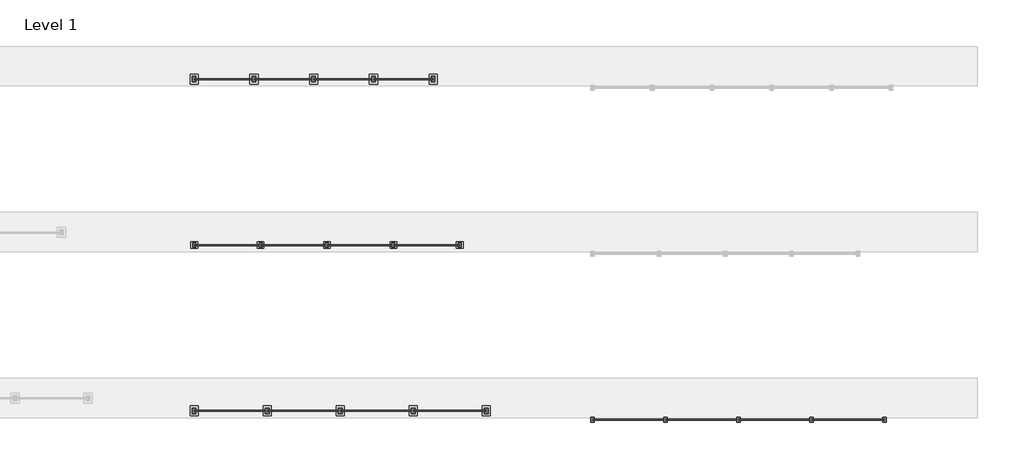
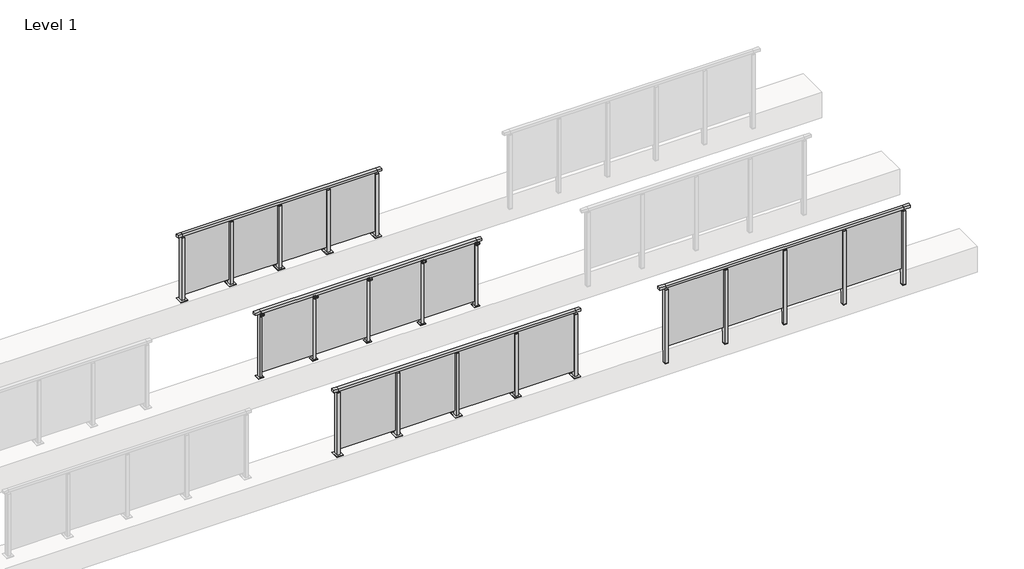
# One storey, part 20 of 38: 4 railings.
"""IFC4 building model written with IfcOpenShell, lengths in millimetres."""

import ifcopenshell
import ifcopenshell.guid

model = None  # the IFC model being written
_history = None  # IfcOwnerHistory: only IFC2X3 demands one
_inside = {}  # id of a spatial element -> (the spatial element, [elements in it])
_under = {}  # id of a project, library or spatial element -> (it, [spatial elements below it])
_declared = {}  # id of a project -> (the project, [libraries it declares])
_typed = {}  # id of a type object -> (the type object, [elements of that type])
_made_of = {}  # id of a material, layer set ... -> (it, [elements and type objects made of it])


def new_model(schema):
    """Start an empty IFC model of exactly this schema.

    Asked for "IFC4X3", IfcOpenShell would pick the latest addendum, in which some entities
    have other attributes; the version numbers below select the first issue.
    IFC2X3 requires an IfcOwnerHistory on every rooted entity: one is made here for all.
    """
    global model, _history
    if schema == "IFC4X3":
        model = ifcopenshell.file(schema_version=(4, 3, 0, 0))
    else:
        model = ifcopenshell.file(schema=schema)
    _inside.clear()
    _under.clear()
    _declared.clear()
    _typed.clear()
    _made_of.clear()
    _history = None
    if model.schema == "IFC2X3":
        org = make("IfcOrganization", Name="unknown")
        user = make(
            "IfcPersonAndOrganization",
            ThePerson=make("IfcPerson", FamilyName="unknown"),
            TheOrganization=org,
        )
        app = make(
            "IfcApplication",
            ApplicationDeveloper=org,
            Version="unknown",
            ApplicationFullName="unknown",
            ApplicationIdentifier="unknown",
        )
        _history = make(
            "IfcOwnerHistory",
            OwningUser=user,
            OwningApplication=app,
            ChangeAction="ADDED",
            CreationDate=0,
        )
    return model


def make(cls, **values):
    """One entity of the class cls with the attributes given. An attribute that is None is left unset."""
    return model.create_entity(
        cls, **{name: value for name, value in values.items() if value is not None}
    )


def rooted(cls, **values):
    """An entity with a GlobalId (a new one), such as an element, a storey or a relation."""
    return make(cls, GlobalId=ifcopenshell.guid.new(), OwnerHistory=_history, **values)


def si_unit(unit_type, name, prefix=None):
    """IfcSIUnit, for example si_unit("LENGTHUNIT", "METRE", prefix="MILLI")."""
    return make("IfcSIUnit", UnitType=unit_type, Prefix=prefix, Name=name)


def assignment(units):
    """IfcUnitAssignment: the units of a project."""
    return None if units is None else make("IfcUnitAssignment", Units=units)


def point(xyz):
    """IfcCartesianPoint."""
    return None if xyz is None else make("IfcCartesianPoint", Coordinates=xyz)


def direction(xyz):
    """IfcDirection."""
    return None if xyz is None else make("IfcDirection", DirectionRatios=xyz)


def frame(location, z_axis=None, x_axis=None):
    """IfcAxis2Placement3D, a coordinate frame: its origin and axes. An axis left out is left unset."""
    return make(
        "IfcAxis2Placement3D",
        Location=point(location),
        Axis=direction(z_axis),
        RefDirection=direction(x_axis),
    )


def frame_2d(location, x_axis=None):
    """IfcAxis2Placement2D, a coordinate frame in the plane: its origin and x axis."""
    return make(
        "IfcAxis2Placement2D", Location=point(location), RefDirection=direction(x_axis)
    )


def origin():
    """The frame at (0, 0, 0) with its axes left unset."""
    return frame((0.0, 0.0, 0.0))


def origin_with_axes():
    """The frame at (0, 0, 0) with the z axis (0, 0, 1) and the x axis (1, 0, 0) written out."""
    return frame((0.0, 0.0, 0.0), z_axis=(0.0, 0.0, 1.0), x_axis=(1.0, 0.0, 0.0))


def place(relative_to, where):
    """IfcLocalPlacement: puts the frame where relative to a parent placement (None: the world)."""
    return make(
        "IfcLocalPlacement", PlacementRelTo=relative_to, RelativePlacement=where
    )


def context(
    kind, dimensions, precision=None, world=None, true_north=None, identifier=None
):
    """IfcGeometricRepresentationContext, for example the 3D "Model" context."""
    return make(
        "IfcGeometricRepresentationContext",
        ContextIdentifier=identifier,
        ContextType=kind,
        CoordinateSpaceDimension=dimensions,
        Precision=precision,
        WorldCoordinateSystem=world,
        TrueNorth=true_north,
    )


def project(units=None, contexts=None):
    """IfcProject with its units and contexts."""
    return rooted(
        "IfcProject",
        Name="project",
        RepresentationContexts=contexts,
        UnitsInContext=assignment(units),
    )


def spatial(cls, under=None, at=None, **own):
    """A site, building, storey or space (cls), placed at a placement, below another one or the project."""
    s = rooted(cls, ObjectPlacement=at, **own)
    if under is not None:
        _under.setdefault(under.id(), (under, []))[1].append(s)
    return s


def polyline(points):
    """IfcPolyline through the points."""
    return make("IfcPolyline", Points=[point(p) for p in points])


def circle_curve(where, radius):
    """IfcCircle in the frame where."""
    return make("IfcCircle", Position=where, Radius=radius)


def trimmed(basis, trim1, trim2, sense, master):
    """IfcTrimmedCurve: the piece of a basis curve between two trims."""
    return make(
        "IfcTrimmedCurve",
        BasisCurve=basis,
        Trim1=trim1,
        Trim2=trim2,
        SenseAgreement=sense,
        MasterRepresentation=master,
    )


def segment(curve, same_sense, transition):
    """IfcCompositeCurveSegment."""
    return make(
        "IfcCompositeCurveSegment",
        Transition=transition,
        SameSense=same_sense,
        ParentCurve=curve,
    )


def composite_curve(segments, self_intersect=None):
    """IfcCompositeCurve: segments joined end to end."""
    return make("IfcCompositeCurve", Segments=segments, SelfIntersect=self_intersect)


def outline(outer, holes=None, kind="AREA"):
    """IfcArbitraryClosedProfileDef: a profile drawn as a closed curve; with holes, ...WithVoids."""
    if holes is None:
        return make("IfcArbitraryClosedProfileDef", ProfileType=kind, OuterCurve=outer)
    return make(
        "IfcArbitraryProfileDefWithVoids",
        ProfileType=kind,
        OuterCurve=outer,
        InnerCurves=holes,
    )


def extrude(swept, where, along, depth):
    """IfcExtrudedAreaSolid: the profile swept, set in the frame where, extruded along a direction by depth."""
    return make(
        "IfcExtrudedAreaSolid",
        SweptArea=swept,
        Position=where,
        ExtrudedDirection=direction(along),
        Depth=depth,
    )


def faces_of(points, faces, orient=None, outer=None):
    """IfcFace entities. A face is a list of loops; a loop is a list of indices into points, from 0.

    orient and outer hold one flag for each loop. By default every Orientation is true, the
    first loop of a face is its IfcFaceOuterBound and the others are IfcFaceBound.
    """
    made = []
    for i, loops in enumerate(faces):
        bounds = []
        for j, loop in enumerate(loops):
            is_outer = j == 0 if outer is None else outer[i][j]
            bounds.append(
                make(
                    "IfcFaceOuterBound" if is_outer else "IfcFaceBound",
                    Bound=make("IfcPolyLoop", Polygon=[points[k] for k in loop]),
                    Orientation=True if orient is None else orient[i][j],
                )
            )
        made.append(make("IfcFace", Bounds=bounds))
    return made


def faceted_brep(points, faces, orient=None, outer=None, voids=None):
    """IfcFacetedBrep: a solid bounded by flat faces; with voids (closed shells), ...WithVoids."""
    shared = [point(p) for p in points]
    hull = make("IfcClosedShell", CfsFaces=faces_of(shared, faces, orient, outer))
    if voids is None:
        return make("IfcFacetedBrep", Outer=hull)
    return make(
        "IfcFacetedBrepWithVoids",
        Outer=hull,
        Voids=[
            make(cls, CfsFaces=faces_of(shared, fs, o, b)) for cls, fs, o, b in voids
        ],
    )


def shape(context_of_items, identifier, shape_type, items):
    """IfcShapeRepresentation: the items that make up one representation, for example the "Body"."""
    return make(
        "IfcShapeRepresentation",
        ContextOfItems=context_of_items,
        RepresentationIdentifier=identifier,
        RepresentationType=shape_type,
        Items=items,
    )


def made_of(thing, what):
    """Note that an element or type object is made of a material, layer set ...; save() writes the relation."""
    if what is not None:
        _made_of.setdefault(what.id(), (what, []))[1].append(thing)
    return thing


def element(
    cls,
    number,
    at=None,
    inside=None,
    cuts=None,
    type_object=None,
    material=None,
    context=None,
    identifier="Body",
    shape_type=None,
    held_by="IfcProductDefinitionShape",
    body=None,
    shapes=None,
    **own,
):
    """One element of the class cls, such as IfcWall. Its Tag is "e" and its number.

    at: its placement. inside: the storey or other place that contains it. cuts: it is an
    opening in that element (IfcRelVoidsElement). A single representation is given by context,
    identifier, shape_type and body (its items); several are given by shapes. held_by: the class
    of the entity that holds the representations. save() writes the other relations.
    """
    e = rooted(cls, Tag="e%d" % number, ObjectPlacement=at, **own)
    if body is not None:
        shapes = [shape(context, identifier, shape_type, body)]
    if shapes is not None:
        e.Representation = make(held_by, Representations=shapes)
    if inside is not None:
        _inside.setdefault(inside.id(), (inside, []))[1].append(e)
    if cuts is not None:
        rooted(
            "IfcRelVoidsElement", RelatingBuildingElement=cuts, RelatedOpeningElement=e
        )
    if type_object is not None:
        _typed.setdefault(type_object.id(), (type_object, []))[1].append(e)
    return made_of(e, material)


def aggregate(whole, parts):
    """IfcRelAggregates: a whole, such as a stair, and the parts it consists of."""
    return rooted("IfcRelAggregates", RelatingObject=whole, RelatedObjects=parts)


def save(model, path):
    """Write the relations noted so far, then the file.

    IfcRelAggregates (storeys below a building ...), IfcRelContainedInSpatialStructure (elements
    in a storey), IfcRelDefinesByType, IfcRelAssociatesMaterial and IfcRelDeclares: one each for
    every whole, place, type object, material and project.
    """
    for whole, parts in _under.values():
        aggregate(whole, parts)
    for where, things in _inside.values():
        rooted(
            "IfcRelContainedInSpatialStructure",
            RelatedElements=things,
            RelatingStructure=where,
        )
    for kind, things in _typed.values():
        rooted("IfcRelDefinesByType", RelatedObjects=things, RelatingType=kind)
    for what, things in _made_of.values():
        rooted("IfcRelAssociatesMaterial", RelatedObjects=things, RelatingMaterial=what)
    for by, libraries in _declared.values():
        rooted("IfcRelDeclares", RelatingContext=by, RelatedDefinitions=libraries)
    model.write(path)


model = new_model("IFC4")

# Units and contexts
model_context = context("Model", 3, world=origin())
ifc_project = project(units=[si_unit("LENGTHUNIT", "METRE", prefix="MILLI")], contexts=[model_context])

# Site, building, storey
site = spatial("IfcSite", under=ifc_project)
building = spatial("IfcBuilding", under=site)
storey = spatial("IfcBuildingStorey", under=building, Name="Level 1", Elevation=0.0)

# Railings
placement = place(None, origin())
element("IfcRailing", 1, at=placement, inside=storey, context=model_context, shape_type="SolidModel", body=[
    faceted_brep([(41476.1884576, 14897.6846828, 1252.5), (41476.1884576, 14897.6846828, 1300.0), (45876.1884576, 14897.6846828, 1300.0), (45876.1884576, 14897.6846828, 1252.5), (41476.1884576, 14837.6846828, 1252.5), (45876.1884576, 14837.6846828, 1252.5), (41476.1884576, 14837.6846828, 1300.0), (45876.1884576, 14837.6846828, 1300.0), (41353.1884576, 14897.6846828, 1300.0), (41353.1884576, 14897.6846828, 1252.5), (41353.1884576, 14837.6846828, 1252.5), (41353.1884576, 14837.6846828, 1300.0), (45999.1884576, 14897.6846828, 1300.0), (45999.1884576, 14837.6846828, 1300.0), (45999.1884576, 14837.6846828, 1252.5), (45999.1884576, 14897.6846828, 1252.5)], [[[0, 1, 2, 3]], [[4, 0, 3, 5]], [[6, 4, 5, 7]], [[1, 6, 7, 2]], [[8, 9, 10, 11]], [[9, 8, 1, 0]], [[10, 9, 0, 4]], [[11, 10, 4, 6]], [[8, 11, 6, 1]], [[12, 13, 14, 15]], [[3, 2, 12, 15]], [[5, 3, 15, 14]], [[7, 5, 14, 13]], [[2, 7, 13, 12]]]),
    extrude(outline(polyline([(44786.1884576, 14859.4094929), (44786.1884576, 14874.4094929), (45866.1884576, 14874.4094929), (45866.1884576, 14859.4094929), (44786.1884576, 14859.4094929)])), frame((0.0, 0.0, 95.0), z_axis=(0.0, 0.0, 1.0), x_axis=(1.0, 0.0, 0.0)), (0.0, 0.0, 1.0), 1160.0),
    extrude(outline(polyline([(44803.1884576, 14906.6846828), (44803.1884576, 14828.6846828), (44749.1884576, 14828.6846828), (44749.1884576, 14906.6846828), (44803.1884576, 14906.6846828)])), frame((0.0, 0.0, 1227.0), z_axis=(0.0, 0.0, 1.0), x_axis=(1.0, 0.0, 0.0)), (0.0, 0.0, 1.0), 8.0),
    extrude(outline(polyline([(44786.1884576, 14877.6846828), (44786.1884576, 14857.6846828), (44766.1884576, 14857.6846828), (44766.1884576, 14877.6846828), (44786.1884576, 14877.6846828)])), frame((0.0, 0.0, 1235.0), z_axis=(0.0, 0.0, 1.0), x_axis=(1.0, 0.0, 0.0)), (0.0, 0.0, 1.0), 20.0),
    extrude(outline(polyline([(44803.1884576, 14906.6846828), (44803.1884576, 14828.6846828), (44749.1884576, 14828.6846828), (44749.1884576, 14906.6846828), (44803.1884576, 14906.6846828)])), frame((0.0, 0.0, -220.0), z_axis=(0.0, 0.0, 1.0), x_axis=(1.0, 0.0, 0.0)), (0.0, 0.0, 1.0), 8.0),
    extrude(outline(polyline([(44803.1884576, 14906.6846828), (44803.1884576, 14828.6846828), (44749.1884576, 14828.6846828), (44749.1884576, 14906.6846828), (44803.1884576, 14906.6846828)])), frame((0.0, 0.0, -212.0), z_axis=(0.0, 0.0, 1.0), x_axis=(1.0, 0.0, 0.0)), (0.0, 0.0, 1.0), 1439.0),
    extrude(outline(polyline([(43686.1884576, 14859.4094929), (43686.1884576, 14874.4094929), (44766.1884576, 14874.4094929), (44766.1884576, 14859.4094929), (43686.1884576, 14859.4094929)])), frame((0.0, 0.0, 95.0), z_axis=(0.0, 0.0, 1.0), x_axis=(1.0, 0.0, 0.0)), (0.0, 0.0, 1.0), 1160.0),
    extrude(outline(polyline([(43703.1884576, 14906.6846828), (43703.1884576, 14828.6846828), (43649.1884576, 14828.6846828), (43649.1884576, 14906.6846828), (43703.1884576, 14906.6846828)])), frame((0.0, 0.0, 1227.0), z_axis=(0.0, 0.0, 1.0), x_axis=(1.0, 0.0, 0.0)), (0.0, 0.0, 1.0), 8.0),
    extrude(outline(polyline([(43686.1884576, 14877.6846828), (43686.1884576, 14857.6846828), (43666.1884576, 14857.6846828), (43666.1884576, 14877.6846828), (43686.1884576, 14877.6846828)])), frame((0.0, 0.0, 1235.0), z_axis=(0.0, 0.0, 1.0), x_axis=(1.0, 0.0, 0.0)), (0.0, 0.0, 1.0), 20.0),
    extrude(outline(polyline([(43703.1884576, 14906.6846828), (43703.1884576, 14828.6846828), (43649.1884576, 14828.6846828), (43649.1884576, 14906.6846828), (43703.1884576, 14906.6846828)])), frame((0.0, 0.0, -220.0), z_axis=(0.0, 0.0, 1.0), x_axis=(1.0, 0.0, 0.0)), (0.0, 0.0, 1.0), 8.0),
    extrude(outline(polyline([(43703.1884576, 14906.6846828), (43703.1884576, 14828.6846828), (43649.1884576, 14828.6846828), (43649.1884576, 14906.6846828), (43703.1884576, 14906.6846828)])), frame((0.0, 0.0, -212.0), z_axis=(0.0, 0.0, 1.0), x_axis=(1.0, 0.0, 0.0)), (0.0, 0.0, 1.0), 1439.0),
    extrude(outline(polyline([(42586.1884576, 14859.4094929), (42586.1884576, 14874.4094929), (43666.1884576, 14874.4094929), (43666.1884576, 14859.4094929), (42586.1884576, 14859.4094929)])), frame((0.0, 0.0, 95.0), z_axis=(0.0, 0.0, 1.0), x_axis=(1.0, 0.0, 0.0)), (0.0, 0.0, 1.0), 1160.0),
    extrude(outline(polyline([(42603.1884576, 14906.6846828), (42603.1884576, 14828.6846828), (42549.1884576, 14828.6846828), (42549.1884576, 14906.6846828), (42603.1884576, 14906.6846828)])), frame((0.0, 0.0, 1227.0), z_axis=(0.0, 0.0, 1.0), x_axis=(1.0, 0.0, 0.0)), (0.0, 0.0, 1.0), 8.0),
    extrude(outline(polyline([(42586.1884576, 14877.6846828), (42586.1884576, 14857.6846828), (42566.1884576, 14857.6846828), (42566.1884576, 14877.6846828), (42586.1884576, 14877.6846828)])), frame((0.0, 0.0, 1235.0), z_axis=(0.0, 0.0, 1.0), x_axis=(1.0, 0.0, 0.0)), (0.0, 0.0, 1.0), 20.0),
    extrude(outline(polyline([(42603.1884576, 14906.6846828), (42603.1884576, 14828.6846828), (42549.1884576, 14828.6846828), (42549.1884576, 14906.6846828), (42603.1884576, 14906.6846828)])), frame((0.0, 0.0, -220.0), z_axis=(0.0, 0.0, 1.0), x_axis=(1.0, 0.0, 0.0)), (0.0, 0.0, 1.0), 8.0),
    extrude(outline(polyline([(42603.1884576, 14906.6846828), (42603.1884576, 14828.6846828), (42549.1884576, 14828.6846828), (42549.1884576, 14906.6846828), (42603.1884576, 14906.6846828)])), frame((0.0, 0.0, -212.0), z_axis=(0.0, 0.0, 1.0), x_axis=(1.0, 0.0, 0.0)), (0.0, 0.0, 1.0), 1439.0),
    extrude(outline(polyline([(41486.1884576, 14859.4094929), (41486.1884576, 14874.4094929), (42566.1884576, 14874.4094929), (42566.1884576, 14859.4094929), (41486.1884576, 14859.4094929)])), frame((0.0, 0.0, 95.0), z_axis=(0.0, 0.0, 1.0), x_axis=(1.0, 0.0, 0.0)), (0.0, 0.0, 1.0), 1160.0),
    extrude(outline(polyline([(45903.1884576, 14906.6846828), (45903.1884576, 14828.6846828), (45849.1884576, 14828.6846828), (45849.1884576, 14906.6846828), (45903.1884576, 14906.6846828)])), frame((0.0, 0.0, 1227.0), z_axis=(0.0, 0.0, 1.0), x_axis=(1.0, 0.0, 0.0)), (0.0, 0.0, 1.0), 8.0),
    extrude(outline(polyline([(45886.1884576, 14877.6846828), (45886.1884576, 14857.6846828), (45866.1884576, 14857.6846828), (45866.1884576, 14877.6846828), (45886.1884576, 14877.6846828)])), frame((0.0, 0.0, 1235.0), z_axis=(0.0, 0.0, 1.0), x_axis=(1.0, 0.0, 0.0)), (0.0, 0.0, 1.0), 20.0),
    extrude(outline(polyline([(45903.1884576, 14906.6846828), (45903.1884576, 14828.6846828), (45849.1884576, 14828.6846828), (45849.1884576, 14906.6846828), (45903.1884576, 14906.6846828)])), frame((0.0, 0.0, -220.0), z_axis=(0.0, 0.0, 1.0), x_axis=(1.0, 0.0, 0.0)), (0.0, 0.0, 1.0), 8.0),
    extrude(outline(polyline([(45903.1884576, 14906.6846828), (45903.1884576, 14828.6846828), (45849.1884576, 14828.6846828), (45849.1884576, 14906.6846828), (45903.1884576, 14906.6846828)])), frame((0.0, 0.0, -212.0), z_axis=(0.0, 0.0, 1.0), x_axis=(1.0, 0.0, 0.0)), (0.0, 0.0, 1.0), 1439.0),
    extrude(outline(polyline([(41503.1884576, 14906.6846828), (41503.1884576, 14828.6846828), (41449.1884576, 14828.6846828), (41449.1884576, 14906.6846828), (41503.1884576, 14906.6846828)])), frame((0.0, 0.0, 1227.0), z_axis=(0.0, 0.0, 1.0), x_axis=(1.0, 0.0, 0.0)), (0.0, 0.0, 1.0), 8.0),
    extrude(outline(polyline([(41486.1884576, 14877.6846828), (41486.1884576, 14857.6846828), (41466.1884576, 14857.6846828), (41466.1884576, 14877.6846828), (41486.1884576, 14877.6846828)])), frame((0.0, 0.0, 1235.0), z_axis=(0.0, 0.0, 1.0), x_axis=(1.0, 0.0, 0.0)), (0.0, 0.0, 1.0), 20.0),
    extrude(outline(polyline([(41503.1884576, 14906.6846828), (41503.1884576, 14828.6846828), (41449.1884576, 14828.6846828), (41449.1884576, 14906.6846828), (41503.1884576, 14906.6846828)])), frame((0.0, 0.0, -220.0), z_axis=(0.0, 0.0, 1.0), x_axis=(1.0, 0.0, 0.0)), (0.0, 0.0, 1.0), 8.0),
    extrude(outline(polyline([(41503.1884576, 14906.6846828), (41503.1884576, 14828.6846828), (41449.1884576, 14828.6846828), (41449.1884576, 14906.6846828), (41503.1884576, 14906.6846828)])), frame((0.0, 0.0, -212.0), z_axis=(0.0, 0.0, 1.0), x_axis=(1.0, 0.0, 0.0)), (0.0, 0.0, 1.0), 1439.0),
])
element("IfcRailing", 2, at=placement, inside=storey, context=model_context, shape_type="SolidModel", body=[
    faceted_brep([(35476.1884576, 15030.1846828, 1252.5), (35476.1884576, 15030.1846828, 1300.0), (39876.1884576, 15030.1846828, 1300.0), (39876.1884576, 15030.1846828, 1252.5), (35476.1884576, 14970.1846828, 1252.5), (39876.1884576, 14970.1846828, 1252.5), (35476.1884576, 14970.1846828, 1300.0), (39876.1884576, 14970.1846828, 1300.0), (35388.6884576, 15030.1846828, 1300.0), (35388.6884576, 15030.1846828, 1252.5), (35388.6884576, 14970.1846828, 1252.5), (35388.6884576, 14970.1846828, 1300.0), (39963.6884576, 15030.1846828, 1300.0), (39963.6884576, 14970.1846828, 1300.0), (39963.6884576, 14970.1846828, 1252.5), (39963.6884576, 15030.1846828, 1252.5)], [[[0, 1, 2, 3]], [[4, 0, 3, 5]], [[6, 4, 5, 7]], [[1, 6, 7, 2]], [[8, 9, 10, 11]], [[9, 8, 1, 0]], [[10, 9, 0, 4]], [[11, 10, 4, 6]], [[8, 11, 6, 1]], [[12, 13, 14, 15]], [[3, 2, 12, 15]], [[5, 3, 15, 14]], [[7, 5, 14, 13]], [[2, 7, 13, 12]]]),
    extrude(outline(polyline([(38786.1884576, 15008.4598727), (39866.1884576, 15008.4598727), (39866.1884576, 14993.4598727), (38786.1884576, 14993.4598727), (38786.1884576, 15008.4598727)])), frame((0.0, 0.0, 95.0), z_axis=(0.0, 0.0, 1.0), x_axis=(1.0, 0.0, 0.0)), (0.0, 0.0, 1.0), 1160.0),
    extrude(outline(polyline([(38803.1884576, 14961.1846828), (38749.1884576, 14961.1846828), (38749.1884576, 15039.1846828), (38803.1884576, 15039.1846828), (38803.1884576, 14961.1846828)])), frame((0.0, 0.0, 12.0), z_axis=(0.0, 0.0, 1.0), x_axis=(1.0, 0.0, 0.0)), (0.0, 0.0, 1.0), 1215.0),
    extrude(outline(polyline([(38786.1884576, 14990.1846828), (38766.1884576, 14990.1846828), (38766.1884576, 15010.1846828), (38786.1884576, 15010.1846828), (38786.1884576, 14990.1846828)])), frame((0.0, 0.0, 1235.0), z_axis=(0.0, 0.0, 1.0), x_axis=(1.0, 0.0, 0.0)), (0.0, 0.0, 1.0), 20.0),
    extrude(outline(polyline([(38803.1884576, 14961.1846828), (38749.1884576, 14961.1846828), (38749.1884576, 15039.1846828), (38803.1884576, 15039.1846828), (38803.1884576, 14961.1846828)])), frame((0.0, 0.0, 1227.0), z_axis=(0.0, 0.0, 1.0), x_axis=(1.0, 0.0, 0.0)), (0.0, 0.0, 1.0), 8.0),
    extrude(outline(polyline([(38838.6884576, 14925.1846828), (38713.6884576, 14925.1846828), (38713.6884576, 15075.1846828), (38838.6884576, 15075.1846828), (38838.6884576, 14925.1846828)])), origin_with_axes(), (0.0, 0.0, 1.0), 12.0),
    extrude(outline(polyline([(37686.1884576, 15008.4598727), (38766.1884576, 15008.4598727), (38766.1884576, 14993.4598727), (37686.1884576, 14993.4598727), (37686.1884576, 15008.4598727)])), frame((0.0, 0.0, 95.0), z_axis=(0.0, 0.0, 1.0), x_axis=(1.0, 0.0, 0.0)), (0.0, 0.0, 1.0), 1160.0),
    extrude(outline(polyline([(37703.1884576, 14961.1846828), (37649.1884576, 14961.1846828), (37649.1884576, 15039.1846828), (37703.1884576, 15039.1846828), (37703.1884576, 14961.1846828)])), frame((0.0, 0.0, 12.0), z_axis=(0.0, 0.0, 1.0), x_axis=(1.0, 0.0, 0.0)), (0.0, 0.0, 1.0), 1215.0),
    extrude(outline(polyline([(37686.1884576, 14990.1846828), (37666.1884576, 14990.1846828), (37666.1884576, 15010.1846828), (37686.1884576, 15010.1846828), (37686.1884576, 14990.1846828)])), frame((0.0, 0.0, 1235.0), z_axis=(0.0, 0.0, 1.0), x_axis=(1.0, 0.0, 0.0)), (0.0, 0.0, 1.0), 20.0),
    extrude(outline(polyline([(37703.1884576, 14961.1846828), (37649.1884576, 14961.1846828), (37649.1884576, 15039.1846828), (37703.1884576, 15039.1846828), (37703.1884576, 14961.1846828)])), frame((0.0, 0.0, 1227.0), z_axis=(0.0, 0.0, 1.0), x_axis=(1.0, 0.0, 0.0)), (0.0, 0.0, 1.0), 8.0),
    extrude(outline(polyline([(37738.6884576, 14925.1846828), (37613.6884576, 14925.1846828), (37613.6884576, 15075.1846828), (37738.6884576, 15075.1846828), (37738.6884576, 14925.1846828)])), origin_with_axes(), (0.0, 0.0, 1.0), 12.0),
    extrude(outline(polyline([(36586.1884576, 15008.4598727), (37666.1884576, 15008.4598727), (37666.1884576, 14993.4598727), (36586.1884576, 14993.4598727), (36586.1884576, 15008.4598727)])), frame((0.0, 0.0, 95.0), z_axis=(0.0, 0.0, 1.0), x_axis=(1.0, 0.0, 0.0)), (0.0, 0.0, 1.0), 1160.0),
    extrude(outline(polyline([(36603.1884576, 14961.1846828), (36549.1884576, 14961.1846828), (36549.1884576, 15039.1846828), (36603.1884576, 15039.1846828), (36603.1884576, 14961.1846828)])), frame((0.0, 0.0, 12.0), z_axis=(0.0, 0.0, 1.0), x_axis=(1.0, 0.0, 0.0)), (0.0, 0.0, 1.0), 1215.0),
    extrude(outline(polyline([(36586.1884576, 14990.1846828), (36566.1884576, 14990.1846828), (36566.1884576, 15010.1846828), (36586.1884576, 15010.1846828), (36586.1884576, 14990.1846828)])), frame((0.0, 0.0, 1235.0), z_axis=(0.0, 0.0, 1.0), x_axis=(1.0, 0.0, 0.0)), (0.0, 0.0, 1.0), 20.0),
    extrude(outline(polyline([(36603.1884576, 14961.1846828), (36549.1884576, 14961.1846828), (36549.1884576, 15039.1846828), (36603.1884576, 15039.1846828), (36603.1884576, 14961.1846828)])), frame((0.0, 0.0, 1227.0), z_axis=(0.0, 0.0, 1.0), x_axis=(1.0, 0.0, 0.0)), (0.0, 0.0, 1.0), 8.0),
    extrude(outline(polyline([(36638.6884576, 14925.1846828), (36513.6884576, 14925.1846828), (36513.6884576, 15075.1846828), (36638.6884576, 15075.1846828), (36638.6884576, 14925.1846828)])), origin_with_axes(), (0.0, 0.0, 1.0), 12.0),
    extrude(outline(polyline([(35486.1884576, 15008.4598727), (36566.1884576, 15008.4598727), (36566.1884576, 14993.4598727), (35486.1884576, 14993.4598727), (35486.1884576, 15008.4598727)])), frame((0.0, 0.0, 95.0), z_axis=(0.0, 0.0, 1.0), x_axis=(1.0, 0.0, 0.0)), (0.0, 0.0, 1.0), 1160.0),
    extrude(outline(polyline([(39903.1884576, 14961.1846828), (39849.1884576, 14961.1846828), (39849.1884576, 15039.1846828), (39903.1884576, 15039.1846828), (39903.1884576, 14961.1846828)])), frame((0.0, 0.0, 12.0), z_axis=(0.0, 0.0, 1.0), x_axis=(1.0, 0.0, 0.0)), (0.0, 0.0, 1.0), 1215.0),
    extrude(outline(polyline([(39886.1884576, 14990.1846828), (39866.1884576, 14990.1846828), (39866.1884576, 15010.1846828), (39886.1884576, 15010.1846828), (39886.1884576, 14990.1846828)])), frame((0.0, 0.0, 1235.0), z_axis=(0.0, 0.0, 1.0), x_axis=(1.0, 0.0, 0.0)), (0.0, 0.0, 1.0), 20.0),
    extrude(outline(polyline([(39903.1884576, 14961.1846828), (39849.1884576, 14961.1846828), (39849.1884576, 15039.1846828), (39903.1884576, 15039.1846828), (39903.1884576, 14961.1846828)])), frame((0.0, 0.0, 1227.0), z_axis=(0.0, 0.0, 1.0), x_axis=(1.0, 0.0, 0.0)), (0.0, 0.0, 1.0), 8.0),
    extrude(outline(polyline([(39938.6884576, 14925.1846828), (39813.6884576, 14925.1846828), (39813.6884576, 15075.1846828), (39938.6884576, 15075.1846828), (39938.6884576, 14925.1846828)])), origin_with_axes(), (0.0, 0.0, 1.0), 12.0),
    extrude(outline(polyline([(35503.1884576, 14961.1846828), (35449.1884576, 14961.1846828), (35449.1884576, 15039.1846828), (35503.1884576, 15039.1846828), (35503.1884576, 14961.1846828)])), frame((0.0, 0.0, 12.0), z_axis=(0.0, 0.0, 1.0), x_axis=(1.0, 0.0, 0.0)), (0.0, 0.0, 1.0), 1215.0),
    extrude(outline(polyline([(35486.1884576, 14990.1846828), (35466.1884576, 14990.1846828), (35466.1884576, 15010.1846828), (35486.1884576, 15010.1846828), (35486.1884576, 14990.1846828)])), frame((0.0, 0.0, 1235.0), z_axis=(0.0, 0.0, 1.0), x_axis=(1.0, 0.0, 0.0)), (0.0, 0.0, 1.0), 20.0),
    extrude(outline(polyline([(35503.1884576, 14961.1846828), (35449.1884576, 14961.1846828), (35449.1884576, 15039.1846828), (35503.1884576, 15039.1846828), (35503.1884576, 14961.1846828)])), frame((0.0, 0.0, 1227.0), z_axis=(0.0, 0.0, 1.0), x_axis=(1.0, 0.0, 0.0)), (0.0, 0.0, 1.0), 8.0),
    extrude(outline(polyline([(35538.6884576, 14925.1846828), (35413.6884576, 14925.1846828), (35413.6884576, 15075.1846828), (35538.6884576, 15075.1846828), (35538.6884576, 14925.1846828)])), origin_with_axes(), (0.0, 0.0, 1.0), 12.0),
])
element("IfcRailing", 3, at=placement, inside=storey, context=model_context, shape_type="SolidModel", body=[
    faceted_brep([(35376.1884576, 17530.1846828, 1300.0), (35376.1884576, 17530.1846828, 1252.5), (35376.1884576, 17470.1846828, 1252.5), (35376.1884576, 17470.1846828, 1300.0), (35476.1884576, 17530.1846828, 1300.0), (35476.1884576, 17530.1846828, 1252.5), (35476.1884576, 17470.1846828, 1252.5), (35476.1884576, 17470.1846828, 1300.0), (39476.1884576, 17530.1846828, 1300.0), (39476.1884576, 17530.1846828, 1252.5), (39476.1884576, 17470.1846828, 1252.5), (39476.1884576, 17470.1846828, 1300.0), (39576.1884576, 17530.1846828, 1300.0), (39576.1884576, 17470.1846828, 1300.0), (39576.1884576, 17470.1846828, 1252.5), (39576.1884576, 17530.1846828, 1252.5)], [[[0, 1, 2, 3]], [[1, 0, 4, 5]], [[2, 1, 5, 6]], [[3, 2, 6, 7]], [[0, 3, 7, 4]], [[5, 4, 8, 9]], [[6, 5, 9, 10]], [[7, 6, 10, 11]], [[4, 7, 11, 8]], [[12, 13, 14, 15]], [[9, 8, 12, 15]], [[10, 9, 15, 14]], [[11, 10, 14, 13]], [[8, 11, 13, 12]]]),
    extrude(outline(polyline([(38486.1884576, 17503.4598727), (39466.1884576, 17503.4598727), (39466.1884576, 17488.4598727), (38486.1884576, 17488.4598727), (38486.1884576, 17503.4598727)])), frame((0.0, 0.0, 95.0), z_axis=(0.0, 0.0, 1.0), x_axis=(1.0, 0.0, 0.0)), (0.0, 0.0, 1.0), 1160.0),
    extrude(outline(composite_curve([segment(polyline([(17379.6846828, 1300.0), (17403.6846828, 1300.0), (17403.6846828, 1272.1487483), (17467.6846828, 1255.0), (17467.6846828, 1205.0), (17459.0523072, 1205.0)]), True, "CONTINUOUS"), segment(trimmed(circle_curve(frame_2d((17459.0523072, 1208.0)), 3.0), [point((17459.0523072, 1205.0))], [point((17456.0779726, 1207.6084214))], False, "CARTESIAN"), True, "CONTINUOUS"), segment(polyline([(17456.0779726, 1207.6084214), (17451.4711505, 1242.6007097)]), True, "CONTINUOUS"), segment(trimmed(circle_curve(frame_2d((17441.5567019, 1241.2954478)), 10.0), [point((17451.4711505, 1242.6007097))], [point((17444.1448923, 1250.9547061))], True, "CARTESIAN"), True, "CONTINUOUS"), segment(polyline([(17444.1448923, 1250.9547061), (17387.0964924, 1266.2407787)]), True, "CONTINUOUS"), segment(trimmed(circle_curve(frame_2d((17389.6846828, 1275.900037)), 10.0), [point((17387.0964924, 1266.2407787))], [point((17379.6846828, 1275.900037))], False, "CARTESIAN"), True, "CONTINUOUS"), segment(polyline([(17379.6846828, 1275.900037), (17379.6846828, 1300.0)]), True, "CONTINUOUS")], self_intersect=False)), frame((38463.6884576, 0.0, 0.0), z_axis=(1.0, 0.0, 0.0), x_axis=(0.0, 1.0, 0.0)), (0.0, 0.0, 1.0), 25.0),
    extrude(outline(polyline([(38498.6884576, 17467.6846828), (38453.6884576, 17467.6846828), (38453.6884576, 17532.6846828), (38498.6884576, 17532.6846828), (38498.6884576, 17467.6846828)])), frame((0.0, 0.0, 12.0), z_axis=(0.0, 0.0, 1.0), x_axis=(1.0, 0.0, 0.0)), (0.0, 0.0, 1.0), 1243.0),
    extrude(outline(polyline([(38498.6884576, 17467.6846828), (38453.6884576, 17467.6846828), (38453.6884576, 17532.6846828), (38498.6884576, 17532.6846828), (38498.6884576, 17467.6846828)])), frame((0.0, 0.0, 1255.0), z_axis=(0.0, 0.0, 1.0), x_axis=(1.0, 0.0, 0.0)), (0.0, 0.0, 1.0), 5.0),
    extrude(outline(polyline([(38526.1884576, 17450.1846828), (38426.1884576, 17450.1846828), (38426.1884576, 17550.1846828), (38526.1884576, 17550.1846828), (38526.1884576, 17450.1846828)])), origin_with_axes(), (0.0, 0.0, 1.0), 12.0),
    extrude(outline(polyline([(37486.1884576, 17503.4598727), (38466.1884576, 17503.4598727), (38466.1884576, 17488.4598727), (37486.1884576, 17488.4598727), (37486.1884576, 17503.4598727)])), frame((0.0, 0.0, 95.0), z_axis=(0.0, 0.0, 1.0), x_axis=(1.0, 0.0, 0.0)), (0.0, 0.0, 1.0), 1160.0),
    extrude(outline(composite_curve([segment(polyline([(17379.6846828, 1300.0), (17403.6846828, 1300.0), (17403.6846828, 1272.1487483), (17467.6846828, 1255.0), (17467.6846828, 1205.0), (17459.0523072, 1205.0)]), True, "CONTINUOUS"), segment(trimmed(circle_curve(frame_2d((17459.0523072, 1208.0)), 3.0), [point((17459.0523072, 1205.0))], [point((17456.0779726, 1207.6084214))], False, "CARTESIAN"), True, "CONTINUOUS"), segment(polyline([(17456.0779726, 1207.6084214), (17451.4711505, 1242.6007097)]), True, "CONTINUOUS"), segment(trimmed(circle_curve(frame_2d((17441.5567019, 1241.2954478)), 10.0), [point((17451.4711505, 1242.6007097))], [point((17444.1448923, 1250.9547061))], True, "CARTESIAN"), True, "CONTINUOUS"), segment(polyline([(17444.1448923, 1250.9547061), (17387.0964924, 1266.2407787)]), True, "CONTINUOUS"), segment(trimmed(circle_curve(frame_2d((17389.6846828, 1275.900037)), 10.0), [point((17387.0964924, 1266.2407787))], [point((17379.6846828, 1275.900037))], False, "CARTESIAN"), True, "CONTINUOUS"), segment(polyline([(17379.6846828, 1275.900037), (17379.6846828, 1300.0)]), True, "CONTINUOUS")], self_intersect=False)), frame((37463.6884576, 0.0, 0.0), z_axis=(1.0, 0.0, 0.0), x_axis=(0.0, 1.0, 0.0)), (0.0, 0.0, 1.0), 25.0),
    extrude(outline(polyline([(37498.6884576, 17467.6846828), (37453.6884576, 17467.6846828), (37453.6884576, 17532.6846828), (37498.6884576, 17532.6846828), (37498.6884576, 17467.6846828)])), frame((0.0, 0.0, 12.0), z_axis=(0.0, 0.0, 1.0), x_axis=(1.0, 0.0, 0.0)), (0.0, 0.0, 1.0), 1243.0),
    extrude(outline(polyline([(37498.6884576, 17467.6846828), (37453.6884576, 17467.6846828), (37453.6884576, 17532.6846828), (37498.6884576, 17532.6846828), (37498.6884576, 17467.6846828)])), frame((0.0, 0.0, 1255.0), z_axis=(0.0, 0.0, 1.0), x_axis=(1.0, 0.0, 0.0)), (0.0, 0.0, 1.0), 5.0),
    extrude(outline(polyline([(37526.1884576, 17450.1846828), (37426.1884576, 17450.1846828), (37426.1884576, 17550.1846828), (37526.1884576, 17550.1846828), (37526.1884576, 17450.1846828)])), origin_with_axes(), (0.0, 0.0, 1.0), 12.0),
    extrude(outline(polyline([(36486.1884576, 17503.4598727), (37466.1884576, 17503.4598727), (37466.1884576, 17488.4598727), (36486.1884576, 17488.4598727), (36486.1884576, 17503.4598727)])), frame((0.0, 0.0, 95.0), z_axis=(0.0, 0.0, 1.0), x_axis=(1.0, 0.0, 0.0)), (0.0, 0.0, 1.0), 1160.0),
    extrude(outline(composite_curve([segment(polyline([(17379.6846828, 1300.0), (17403.6846828, 1300.0), (17403.6846828, 1272.1487483), (17467.6846828, 1255.0), (17467.6846828, 1205.0), (17459.0523072, 1205.0)]), True, "CONTINUOUS"), segment(trimmed(circle_curve(frame_2d((17459.0523072, 1208.0)), 3.0), [point((17459.0523072, 1205.0))], [point((17456.0779726, 1207.6084214))], False, "CARTESIAN"), True, "CONTINUOUS"), segment(polyline([(17456.0779726, 1207.6084214), (17451.4711505, 1242.6007097)]), True, "CONTINUOUS"), segment(trimmed(circle_curve(frame_2d((17441.5567019, 1241.2954478)), 10.0), [point((17451.4711505, 1242.6007097))], [point((17444.1448923, 1250.9547061))], True, "CARTESIAN"), True, "CONTINUOUS"), segment(polyline([(17444.1448923, 1250.9547061), (17387.0964924, 1266.2407787)]), True, "CONTINUOUS"), segment(trimmed(circle_curve(frame_2d((17389.6846828, 1275.900037)), 10.0), [point((17387.0964924, 1266.2407787))], [point((17379.6846828, 1275.900037))], False, "CARTESIAN"), True, "CONTINUOUS"), segment(polyline([(17379.6846828, 1275.900037), (17379.6846828, 1300.0)]), True, "CONTINUOUS")], self_intersect=False)), frame((36463.6884576, 0.0, 0.0), z_axis=(1.0, 0.0, 0.0), x_axis=(0.0, 1.0, 0.0)), (0.0, 0.0, 1.0), 25.0),
    extrude(outline(polyline([(36498.6884576, 17467.6846828), (36453.6884576, 17467.6846828), (36453.6884576, 17532.6846828), (36498.6884576, 17532.6846828), (36498.6884576, 17467.6846828)])), frame((0.0, 0.0, 12.0), z_axis=(0.0, 0.0, 1.0), x_axis=(1.0, 0.0, 0.0)), (0.0, 0.0, 1.0), 1243.0),
    extrude(outline(polyline([(36498.6884576, 17467.6846828), (36453.6884576, 17467.6846828), (36453.6884576, 17532.6846828), (36498.6884576, 17532.6846828), (36498.6884576, 17467.6846828)])), frame((0.0, 0.0, 1255.0), z_axis=(0.0, 0.0, 1.0), x_axis=(1.0, 0.0, 0.0)), (0.0, 0.0, 1.0), 5.0),
    extrude(outline(polyline([(36526.1884576, 17450.1846828), (36426.1884576, 17450.1846828), (36426.1884576, 17550.1846828), (36526.1884576, 17550.1846828), (36526.1884576, 17450.1846828)])), origin_with_axes(), (0.0, 0.0, 1.0), 12.0),
    extrude(outline(polyline([(35486.1884576, 17503.4598727), (36466.1884576, 17503.4598727), (36466.1884576, 17488.4598727), (35486.1884576, 17488.4598727), (35486.1884576, 17503.4598727)])), frame((0.0, 0.0, 95.0), z_axis=(0.0, 0.0, 1.0), x_axis=(1.0, 0.0, 0.0)), (0.0, 0.0, 1.0), 1160.0),
    extrude(outline(composite_curve([segment(polyline([(17379.6846828, 1300.0), (17403.6846828, 1300.0), (17403.6846828, 1272.1487483), (17467.6846828, 1255.0), (17467.6846828, 1205.0), (17459.0523072, 1205.0)]), True, "CONTINUOUS"), segment(trimmed(circle_curve(frame_2d((17459.0523072, 1208.0)), 3.0), [point((17459.0523072, 1205.0))], [point((17456.0779726, 1207.6084214))], False, "CARTESIAN"), True, "CONTINUOUS"), segment(polyline([(17456.0779726, 1207.6084214), (17451.4711505, 1242.6007097)]), True, "CONTINUOUS"), segment(trimmed(circle_curve(frame_2d((17441.5567019, 1241.2954478)), 10.0), [point((17451.4711505, 1242.6007097))], [point((17444.1448923, 1250.9547061))], True, "CARTESIAN"), True, "CONTINUOUS"), segment(polyline([(17444.1448923, 1250.9547061), (17387.0964924, 1266.2407787)]), True, "CONTINUOUS"), segment(trimmed(circle_curve(frame_2d((17389.6846828, 1275.900037)), 10.0), [point((17387.0964924, 1266.2407787))], [point((17379.6846828, 1275.900037))], False, "CARTESIAN"), True, "CONTINUOUS"), segment(polyline([(17379.6846828, 1275.900037), (17379.6846828, 1300.0)]), True, "CONTINUOUS")], self_intersect=False)), frame((39463.6884576, 0.0, 0.0), z_axis=(1.0, 0.0, 0.0), x_axis=(0.0, 1.0, 0.0)), (0.0, 0.0, 1.0), 25.0),
    extrude(outline(polyline([(39498.6884576, 17467.6846828), (39453.6884576, 17467.6846828), (39453.6884576, 17532.6846828), (39498.6884576, 17532.6846828), (39498.6884576, 17467.6846828)])), frame((0.0, 0.0, 12.0), z_axis=(0.0, 0.0, 1.0), x_axis=(1.0, 0.0, 0.0)), (0.0, 0.0, 1.0), 1243.0),
    extrude(outline(polyline([(39498.6884576, 17467.6846828), (39453.6884576, 17467.6846828), (39453.6884576, 17532.6846828), (39498.6884576, 17532.6846828), (39498.6884576, 17467.6846828)])), frame((0.0, 0.0, 1255.0), z_axis=(0.0, 0.0, 1.0), x_axis=(1.0, 0.0, 0.0)), (0.0, 0.0, 1.0), 5.0),
    extrude(outline(polyline([(39526.1884576, 17450.1846828), (39426.1884576, 17450.1846828), (39426.1884576, 17550.1846828), (39526.1884576, 17550.1846828), (39526.1884576, 17450.1846828)])), origin_with_axes(), (0.0, 0.0, 1.0), 12.0),
    extrude(outline(composite_curve([segment(polyline([(17379.6846828, 1300.0), (17403.6846828, 1300.0), (17403.6846828, 1272.1487483), (17467.6846828, 1255.0), (17467.6846828, 1205.0), (17459.0523072, 1205.0)]), True, "CONTINUOUS"), segment(trimmed(circle_curve(frame_2d((17459.0523072, 1208.0)), 3.0), [point((17459.0523072, 1205.0))], [point((17456.0779726, 1207.6084214))], False, "CARTESIAN"), True, "CONTINUOUS"), segment(polyline([(17456.0779726, 1207.6084214), (17451.4711505, 1242.6007097)]), True, "CONTINUOUS"), segment(trimmed(circle_curve(frame_2d((17441.5567019, 1241.2954478)), 10.0), [point((17451.4711505, 1242.6007097))], [point((17444.1448923, 1250.9547061))], True, "CARTESIAN"), True, "CONTINUOUS"), segment(polyline([(17444.1448923, 1250.9547061), (17387.0964924, 1266.2407787)]), True, "CONTINUOUS"), segment(trimmed(circle_curve(frame_2d((17389.6846828, 1275.900037)), 10.0), [point((17387.0964924, 1266.2407787))], [point((17379.6846828, 1275.900037))], False, "CARTESIAN"), True, "CONTINUOUS"), segment(polyline([(17379.6846828, 1275.900037), (17379.6846828, 1300.0)]), True, "CONTINUOUS")], self_intersect=False)), frame((35463.6884576, 0.0, 0.0), z_axis=(1.0, 0.0, 0.0), x_axis=(0.0, 1.0, 0.0)), (0.0, 0.0, 1.0), 25.0),
    extrude(outline(polyline([(35498.6884576, 17467.6846828), (35453.6884576, 17467.6846828), (35453.6884576, 17532.6846828), (35498.6884576, 17532.6846828), (35498.6884576, 17467.6846828)])), frame((0.0, 0.0, 12.0), z_axis=(0.0, 0.0, 1.0), x_axis=(1.0, 0.0, 0.0)), (0.0, 0.0, 1.0), 1243.0),
    extrude(outline(polyline([(35498.6884576, 17467.6846828), (35453.6884576, 17467.6846828), (35453.6884576, 17532.6846828), (35498.6884576, 17532.6846828), (35498.6884576, 17467.6846828)])), frame((0.0, 0.0, 1255.0), z_axis=(0.0, 0.0, 1.0), x_axis=(1.0, 0.0, 0.0)), (0.0, 0.0, 1.0), 5.0),
    extrude(outline(polyline([(35526.1884576, 17450.1846828), (35426.1884576, 17450.1846828), (35426.1884576, 17550.1846828), (35526.1884576, 17550.1846828), (35526.1884576, 17450.1846828)])), origin_with_axes(), (0.0, 0.0, 1.0), 12.0),
])
element("IfcRailing", 4, at=placement, inside=storey, context=model_context, shape_type="SolidModel", body=[
    faceted_brep([(35476.1884576, 20030.1846828, 1252.5), (35476.1884576, 20030.1846828, 1300.0), (39076.1884576, 20030.1846828, 1300.0), (39076.1884576, 20030.1846828, 1252.5), (35476.1884576, 19970.1846828, 1252.5), (39076.1884576, 19970.1846828, 1252.5), (35476.1884576, 19970.1846828, 1300.0), (39076.1884576, 19970.1846828, 1300.0), (35388.6884576, 20030.1846828, 1300.0), (35388.6884576, 20030.1846828, 1252.5), (35388.6884576, 19970.1846828, 1252.5), (35388.6884576, 19970.1846828, 1300.0), (39163.6884576, 20030.1846828, 1300.0), (39163.6884576, 19970.1846828, 1300.0), (39163.6884576, 19970.1846828, 1252.5), (39163.6884576, 20030.1846828, 1252.5)], [[[0, 1, 2, 3]], [[4, 0, 3, 5]], [[6, 4, 5, 7]], [[1, 6, 7, 2]], [[8, 9, 10, 11]], [[9, 8, 1, 0]], [[10, 9, 0, 4]], [[11, 10, 4, 6]], [[8, 11, 6, 1]], [[12, 13, 14, 15]], [[3, 2, 12, 15]], [[5, 3, 15, 14]], [[7, 5, 14, 13]], [[2, 7, 13, 12]]]),
    extrude(outline(polyline([(38186.1884576, 20008.4598727), (39066.1884576, 20008.4598727), (39066.1884576, 19993.4598727), (38186.1884576, 19993.4598727), (38186.1884576, 20008.4598727)])), frame((0.0, 0.0, 95.0), z_axis=(0.0, 0.0, 1.0), x_axis=(1.0, 0.0, 0.0)), (0.0, 0.0, 1.0), 1160.0),
    extrude(outline(polyline([(38203.1884576, 19961.1846828), (38149.1884576, 19961.1846828), (38149.1884576, 20039.1846828), (38203.1884576, 20039.1846828), (38203.1884576, 19961.1846828)])), frame((0.0, 0.0, 12.0), z_axis=(0.0, 0.0, 1.0), x_axis=(1.0, 0.0, 0.0)), (0.0, 0.0, 1.0), 1215.0),
    extrude(outline(polyline([(38186.1884576, 19990.1846828), (38166.1884576, 19990.1846828), (38166.1884576, 20010.1846828), (38186.1884576, 20010.1846828), (38186.1884576, 19990.1846828)])), frame((0.0, 0.0, 1235.0), z_axis=(0.0, 0.0, 1.0), x_axis=(1.0, 0.0, 0.0)), (0.0, 0.0, 1.0), 20.0),
    extrude(outline(polyline([(38203.1884576, 19961.1846828), (38149.1884576, 19961.1846828), (38149.1884576, 20039.1846828), (38203.1884576, 20039.1846828), (38203.1884576, 19961.1846828)])), frame((0.0, 0.0, 1227.0), z_axis=(0.0, 0.0, 1.0), x_axis=(1.0, 0.0, 0.0)), (0.0, 0.0, 1.0), 8.0),
    extrude(outline(polyline([(38238.6884576, 19925.1846828), (38113.6884576, 19925.1846828), (38113.6884576, 20075.1846828), (38238.6884576, 20075.1846828), (38238.6884576, 19925.1846828)])), origin_with_axes(), (0.0, 0.0, 1.0), 12.0),
    extrude(outline(polyline([(37286.1884576, 20008.4598727), (38166.1884576, 20008.4598727), (38166.1884576, 19993.4598727), (37286.1884576, 19993.4598727), (37286.1884576, 20008.4598727)])), frame((0.0, 0.0, 95.0), z_axis=(0.0, 0.0, 1.0), x_axis=(1.0, 0.0, 0.0)), (0.0, 0.0, 1.0), 1160.0),
    extrude(outline(polyline([(37303.1884576, 19961.1846828), (37249.1884576, 19961.1846828), (37249.1884576, 20039.1846828), (37303.1884576, 20039.1846828), (37303.1884576, 19961.1846828)])), frame((0.0, 0.0, 12.0), z_axis=(0.0, 0.0, 1.0), x_axis=(1.0, 0.0, 0.0)), (0.0, 0.0, 1.0), 1215.0),
    extrude(outline(polyline([(37286.1884576, 19990.1846828), (37266.1884576, 19990.1846828), (37266.1884576, 20010.1846828), (37286.1884576, 20010.1846828), (37286.1884576, 19990.1846828)])), frame((0.0, 0.0, 1235.0), z_axis=(0.0, 0.0, 1.0), x_axis=(1.0, 0.0, 0.0)), (0.0, 0.0, 1.0), 20.0),
    extrude(outline(polyline([(37303.1884576, 19961.1846828), (37249.1884576, 19961.1846828), (37249.1884576, 20039.1846828), (37303.1884576, 20039.1846828), (37303.1884576, 19961.1846828)])), frame((0.0, 0.0, 1227.0), z_axis=(0.0, 0.0, 1.0), x_axis=(1.0, 0.0, 0.0)), (0.0, 0.0, 1.0), 8.0),
    extrude(outline(polyline([(37338.6884576, 19925.1846828), (37213.6884576, 19925.1846828), (37213.6884576, 20075.1846828), (37338.6884576, 20075.1846828), (37338.6884576, 19925.1846828)])), origin_with_axes(), (0.0, 0.0, 1.0), 12.0),
    extrude(outline(polyline([(36386.1884576, 20008.4598727), (37266.1884576, 20008.4598727), (37266.1884576, 19993.4598727), (36386.1884576, 19993.4598727), (36386.1884576, 20008.4598727)])), frame((0.0, 0.0, 95.0), z_axis=(0.0, 0.0, 1.0), x_axis=(1.0, 0.0, 0.0)), (0.0, 0.0, 1.0), 1160.0),
    extrude(outline(polyline([(36403.1884576, 19961.1846828), (36349.1884576, 19961.1846828), (36349.1884576, 20039.1846828), (36403.1884576, 20039.1846828), (36403.1884576, 19961.1846828)])), frame((0.0, 0.0, 12.0), z_axis=(0.0, 0.0, 1.0), x_axis=(1.0, 0.0, 0.0)), (0.0, 0.0, 1.0), 1215.0),
    extrude(outline(polyline([(36386.1884576, 19990.1846828), (36366.1884576, 19990.1846828), (36366.1884576, 20010.1846828), (36386.1884576, 20010.1846828), (36386.1884576, 19990.1846828)])), frame((0.0, 0.0, 1235.0), z_axis=(0.0, 0.0, 1.0), x_axis=(1.0, 0.0, 0.0)), (0.0, 0.0, 1.0), 20.0),
    extrude(outline(polyline([(36403.1884576, 19961.1846828), (36349.1884576, 19961.1846828), (36349.1884576, 20039.1846828), (36403.1884576, 20039.1846828), (36403.1884576, 19961.1846828)])), frame((0.0, 0.0, 1227.0), z_axis=(0.0, 0.0, 1.0), x_axis=(1.0, 0.0, 0.0)), (0.0, 0.0, 1.0), 8.0),
    extrude(outline(polyline([(36438.6884576, 19925.1846828), (36313.6884576, 19925.1846828), (36313.6884576, 20075.1846828), (36438.6884576, 20075.1846828), (36438.6884576, 19925.1846828)])), origin_with_axes(), (0.0, 0.0, 1.0), 12.0),
    extrude(outline(polyline([(35486.1884576, 20008.4598727), (36366.1884576, 20008.4598727), (36366.1884576, 19993.4598727), (35486.1884576, 19993.4598727), (35486.1884576, 20008.4598727)])), frame((0.0, 0.0, 95.0), z_axis=(0.0, 0.0, 1.0), x_axis=(1.0, 0.0, 0.0)), (0.0, 0.0, 1.0), 1160.0),
    extrude(outline(polyline([(39103.1884576, 19961.1846828), (39049.1884576, 19961.1846828), (39049.1884576, 20039.1846828), (39103.1884576, 20039.1846828), (39103.1884576, 19961.1846828)])), frame((0.0, 0.0, 12.0), z_axis=(0.0, 0.0, 1.0), x_axis=(1.0, 0.0, 0.0)), (0.0, 0.0, 1.0), 1215.0),
    extrude(outline(polyline([(39086.1884576, 19990.1846828), (39066.1884576, 19990.1846828), (39066.1884576, 20010.1846828), (39086.1884576, 20010.1846828), (39086.1884576, 19990.1846828)])), frame((0.0, 0.0, 1235.0), z_axis=(0.0, 0.0, 1.0), x_axis=(1.0, 0.0, 0.0)), (0.0, 0.0, 1.0), 20.0),
    extrude(outline(polyline([(39103.1884576, 19961.1846828), (39049.1884576, 19961.1846828), (39049.1884576, 20039.1846828), (39103.1884576, 20039.1846828), (39103.1884576, 19961.1846828)])), frame((0.0, 0.0, 1227.0), z_axis=(0.0, 0.0, 1.0), x_axis=(1.0, 0.0, 0.0)), (0.0, 0.0, 1.0), 8.0),
    extrude(outline(polyline([(39138.6884576, 19925.1846828), (39013.6884576, 19925.1846828), (39013.6884576, 20075.1846828), (39138.6884576, 20075.1846828), (39138.6884576, 19925.1846828)])), origin_with_axes(), (0.0, 0.0, 1.0), 12.0),
    extrude(outline(polyline([(35503.1884576, 19961.1846828), (35449.1884576, 19961.1846828), (35449.1884576, 20039.1846828), (35503.1884576, 20039.1846828), (35503.1884576, 19961.1846828)])), frame((0.0, 0.0, 12.0), z_axis=(0.0, 0.0, 1.0), x_axis=(1.0, 0.0, 0.0)), (0.0, 0.0, 1.0), 1215.0),
    extrude(outline(polyline([(35486.1884576, 19990.1846828), (35466.1884576, 19990.1846828), (35466.1884576, 20010.1846828), (35486.1884576, 20010.1846828), (35486.1884576, 19990.1846828)])), frame((0.0, 0.0, 1235.0), z_axis=(0.0, 0.0, 1.0), x_axis=(1.0, 0.0, 0.0)), (0.0, 0.0, 1.0), 20.0),
    extrude(outline(polyline([(35503.1884576, 19961.1846828), (35449.1884576, 19961.1846828), (35449.1884576, 20039.1846828), (35503.1884576, 20039.1846828), (35503.1884576, 19961.1846828)])), frame((0.0, 0.0, 1227.0), z_axis=(0.0, 0.0, 1.0), x_axis=(1.0, 0.0, 0.0)), (0.0, 0.0, 1.0), 8.0),
    extrude(outline(polyline([(35538.6884576, 19925.1846828), (35413.6884576, 19925.1846828), (35413.6884576, 20075.1846828), (35538.6884576, 20075.1846828), (35538.6884576, 19925.1846828)])), origin_with_axes(), (0.0, 0.0, 1.0), 12.0),
])

save(model, "model.ifc")
